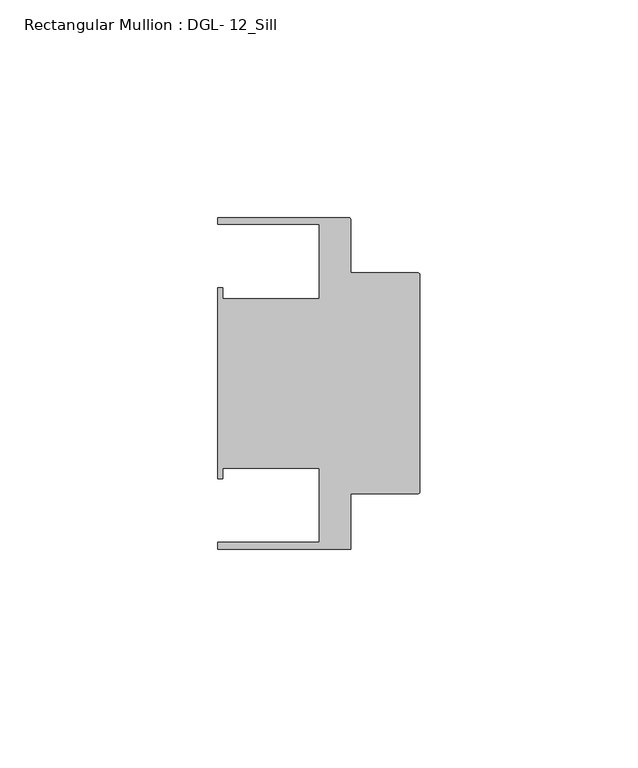
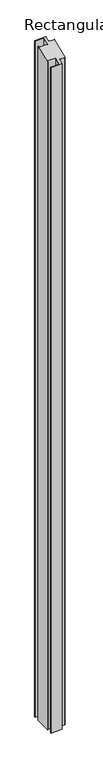
"""IFC4 building model written with IfcOpenShell, lengths in millimetres: member geometry, Rectangular Mullion : DGL- 12_Sill."""

import ifcopenshell
import ifcopenshell.guid

model = None  # the IFC model being written
_history = None  # IfcOwnerHistory: only IFC2X3 demands one
_inside = {}  # id of a spatial element -> (the spatial element, [elements in it])
_under = {}  # id of a project, library or spatial element -> (it, [spatial elements below it])
_declared = {}  # id of a project -> (the project, [libraries it declares])
_typed = {}  # id of a type object -> (the type object, [elements of that type])
_made_of = {}  # id of a material, layer set ... -> (it, [elements and type objects made of it])


def new_model(schema):
    """Start an empty IFC model of exactly this schema.

    Asked for "IFC4X3", IfcOpenShell would pick the latest addendum, in which some entities
    have other attributes; the version numbers below select the first issue.
    IFC2X3 requires an IfcOwnerHistory on every rooted entity: one is made here for all.
    """
    global model, _history
    if schema == "IFC4X3":
        model = ifcopenshell.file(schema_version=(4, 3, 0, 0))
    else:
        model = ifcopenshell.file(schema=schema)
    _inside.clear()
    _under.clear()
    _declared.clear()
    _typed.clear()
    _made_of.clear()
    _history = None
    if model.schema == "IFC2X3":
        org = make("IfcOrganization", Name="unknown")
        user = make(
            "IfcPersonAndOrganization",
            ThePerson=make("IfcPerson", FamilyName="unknown"),
            TheOrganization=org,
        )
        app = make(
            "IfcApplication",
            ApplicationDeveloper=org,
            Version="unknown",
            ApplicationFullName="unknown",
            ApplicationIdentifier="unknown",
        )
        _history = make(
            "IfcOwnerHistory",
            OwningUser=user,
            OwningApplication=app,
            ChangeAction="ADDED",
            CreationDate=0,
        )
    return model


def make(cls, **values):
    """One entity of the class cls with the attributes given. An attribute that is None is left unset."""
    return model.create_entity(
        cls, **{name: value for name, value in values.items() if value is not None}
    )


def rooted(cls, **values):
    """An entity with a GlobalId (a new one), such as an element, a storey or a relation."""
    return make(cls, GlobalId=ifcopenshell.guid.new(), OwnerHistory=_history, **values)


def si_unit(unit_type, name, prefix=None):
    """IfcSIUnit, for example si_unit("LENGTHUNIT", "METRE", prefix="MILLI")."""
    return make("IfcSIUnit", UnitType=unit_type, Prefix=prefix, Name=name)


def assignment(units):
    """IfcUnitAssignment: the units of a project."""
    return None if units is None else make("IfcUnitAssignment", Units=units)


def point(xyz):
    """IfcCartesianPoint."""
    return None if xyz is None else make("IfcCartesianPoint", Coordinates=xyz)


def direction(xyz):
    """IfcDirection."""
    return None if xyz is None else make("IfcDirection", DirectionRatios=xyz)


def frame(location, z_axis=None, x_axis=None):
    """IfcAxis2Placement3D, a coordinate frame: its origin and axes. An axis left out is left unset."""
    return make(
        "IfcAxis2Placement3D",
        Location=point(location),
        Axis=direction(z_axis),
        RefDirection=direction(x_axis),
    )


def origin():
    """The frame at (0, 0, 0) with its axes left unset."""
    return frame((0.0, 0.0, 0.0))


def place(relative_to, where):
    """IfcLocalPlacement: puts the frame where relative to a parent placement (None: the world)."""
    return make(
        "IfcLocalPlacement", PlacementRelTo=relative_to, RelativePlacement=where
    )


def context(
    kind, dimensions, precision=None, world=None, true_north=None, identifier=None
):
    """IfcGeometricRepresentationContext, for example the 3D "Model" context."""
    return make(
        "IfcGeometricRepresentationContext",
        ContextIdentifier=identifier,
        ContextType=kind,
        CoordinateSpaceDimension=dimensions,
        Precision=precision,
        WorldCoordinateSystem=world,
        TrueNorth=true_north,
    )


def project(units=None, contexts=None):
    """IfcProject with its units and contexts."""
    return rooted(
        "IfcProject",
        Name="project",
        RepresentationContexts=contexts,
        UnitsInContext=assignment(units),
    )


def spatial(cls, under=None, at=None, **own):
    """A site, building, storey or space (cls), placed at a placement, below another one or the project."""
    s = rooted(cls, ObjectPlacement=at, **own)
    if under is not None:
        _under.setdefault(under.id(), (under, []))[1].append(s)
    return s


def circle_curve(where, radius):
    """IfcCircle in the frame where."""
    return make("IfcCircle", Position=where, Radius=radius)


def ellipse_curve(where, semi_axis1, semi_axis2):
    """IfcEllipse in the frame where."""
    return make(
        "IfcEllipse", Position=where, SemiAxis1=semi_axis1, SemiAxis2=semi_axis2
    )


def shape(context_of_items, identifier, shape_type, items):
    """IfcShapeRepresentation: the items that make up one representation, for example the "Body"."""
    return make(
        "IfcShapeRepresentation",
        ContextOfItems=context_of_items,
        RepresentationIdentifier=identifier,
        RepresentationType=shape_type,
        Items=items,
    )


def source(mapping_origin, context_of_items, identifier, shape_type, items):
    """IfcRepresentationMap: a shape defined once, which mapped items show again and again."""
    return make(
        "IfcRepresentationMap",
        MappingOrigin=mapping_origin,
        MappedRepresentation=shape(context_of_items, identifier, shape_type, items),
    )


def transform(
    local_origin,
    x_axis=None,
    y_axis=None,
    z_axis=None,
    scale=None,
    scale2=None,
    scale3=None,
    uniform=True,
):
    """IfcCartesianTransformationOperator3D, or its non-uniform kind. x_axis, y_axis, z_axis: its Axis1, 2, 3."""
    if uniform:
        return make(
            "IfcCartesianTransformationOperator3D",
            Axis1=direction(x_axis),
            Axis2=direction(y_axis),
            LocalOrigin=point(local_origin),
            Scale=scale,
            Axis3=direction(z_axis),
        )
    return make(
        "IfcCartesianTransformationOperator3DnonUniform",
        Axis1=direction(x_axis),
        Axis2=direction(y_axis),
        LocalOrigin=point(local_origin),
        Scale=scale,
        Axis3=direction(z_axis),
        Scale2=scale2,
        Scale3=scale3,
    )


def mapped(mapping_source, mapping_target):
    """IfcMappedItem: shows the shape of a source again, moved by a transform."""
    return make(
        "IfcMappedItem", MappingSource=mapping_source, MappingTarget=mapping_target
    )


def made_of(thing, what):
    """Note that an element or type object is made of a material, layer set ...; save() writes the relation."""
    if what is not None:
        _made_of.setdefault(what.id(), (what, []))[1].append(thing)
    return thing


def element(
    cls,
    number,
    at=None,
    inside=None,
    cuts=None,
    type_object=None,
    material=None,
    context=None,
    identifier="Body",
    shape_type=None,
    held_by="IfcProductDefinitionShape",
    body=None,
    shapes=None,
    **own,
):
    """One element of the class cls, such as IfcWall. Its Tag is "e" and its number.

    at: its placement. inside: the storey or other place that contains it. cuts: it is an
    opening in that element (IfcRelVoidsElement). A single representation is given by context,
    identifier, shape_type and body (its items); several are given by shapes. held_by: the class
    of the entity that holds the representations. save() writes the other relations.
    """
    e = rooted(cls, Tag="e%d" % number, ObjectPlacement=at, **own)
    if body is not None:
        shapes = [shape(context, identifier, shape_type, body)]
    if shapes is not None:
        e.Representation = make(held_by, Representations=shapes)
    if inside is not None:
        _inside.setdefault(inside.id(), (inside, []))[1].append(e)
    if cuts is not None:
        rooted(
            "IfcRelVoidsElement", RelatingBuildingElement=cuts, RelatedOpeningElement=e
        )
    if type_object is not None:
        _typed.setdefault(type_object.id(), (type_object, []))[1].append(e)
    return made_of(e, material)


def aggregate(whole, parts):
    """IfcRelAggregates: a whole, such as a stair, and the parts it consists of."""
    return rooted("IfcRelAggregates", RelatingObject=whole, RelatedObjects=parts)


def save(model, path):
    """Write the relations noted so far, then the file.

    IfcRelAggregates (storeys below a building ...), IfcRelContainedInSpatialStructure (elements
    in a storey), IfcRelDefinesByType, IfcRelAssociatesMaterial and IfcRelDeclares: one each for
    every whole, place, type object, material and project.
    """
    for whole, parts in _under.values():
        aggregate(whole, parts)
    for where, things in _inside.values():
        rooted(
            "IfcRelContainedInSpatialStructure",
            RelatedElements=things,
            RelatingStructure=where,
        )
    for kind, things in _typed.values():
        rooted("IfcRelDefinesByType", RelatedObjects=things, RelatingType=kind)
    for what, things in _made_of.values():
        rooted("IfcRelAssociatesMaterial", RelatedObjects=things, RelatingMaterial=what)
    for by, libraries in _declared.values():
        rooted("IfcRelDeclares", RelatingContext=by, RelatedDefinitions=libraries)
    model.write(path)


def plane_surface(at):
    """IfcPlane: the flat surface through the origin of the frame at, square to its z axis."""
    return make("IfcPlane", Position=at)


def cylinder_surface(at, radius):
    """IfcCylindricalSurface: all points at the distance radius from the z axis of the frame at."""
    return make("IfcCylindricalSurface", Position=at, Radius=radius)


def advanced_brep(points, edges, surfaces, faces):
    """IfcAdvancedBrep: a solid bounded by faces that lie on surfaces and meet in shared edges.

    An edge is (start, end): straight between two places in points (the first is 0);
    or (start, end, curve); or (start, end, curve, False) where it runs against its curve.
    A face is (place in surfaces, loops), or (place, loops, False) where it looks against
    its surface's normal. A loop lists edges by number (the first is 1), with a minus sign
    where the edge is run from its end to its start. The first loop is the outer one.
    """
    corners = [point(p) for p in points]
    vertices = [make("IfcVertexPoint", VertexGeometry=c) for c in corners]
    made = []
    for start, end, *more in edges:
        made.append(
            make(
                "IfcEdgeCurve",
                EdgeStart=vertices[start],
                EdgeEnd=vertices[end],
                EdgeGeometry=more[0] if more else make("IfcPolyline", Points=[corners[start], corners[end]]),
                SameSense=more[1] if len(more) > 1 else True,
            )
        )
    hull = []
    for where, loops, *sense in faces:
        bounds = []
        for j, loop in enumerate(loops):
            ring = [make("IfcOrientedEdge", EdgeElement=made[abs(k) - 1], Orientation=k > 0) for k in loop]
            bounds.append(
                make(
                    "IfcFaceOuterBound" if j == 0 else "IfcFaceBound",
                    Bound=make("IfcEdgeLoop", EdgeList=ring),
                    Orientation=True,
                )
            )
        hull.append(make("IfcAdvancedFace", Bounds=bounds, FaceSurface=surfaces[where], SameSense=sense[0] if sense else True))
    return make("IfcAdvancedBrep", Outer=make("IfcClosedShell", CfsFaces=hull))


def rectangular_mullion_dgl_12_sill_86d5c023(model_context):
    return source(origin(), model_context, "Body", "AdvancedBrep", [
        advanced_brep(
        [(-0.5953125, -25.4, -1924.3356817), (-15.8750672, -25.4, -1924.3356817), (-15.8750672, -38.0996792, -1924.3356817), (-46.54296, -38.0996792, -1924.3356817), (-46.54296, -36.512516, -1924.3356817), (-23.1202791, -36.512516, -1924.3356817), (-23.1202791, -19.4824275, -1924.3356817), (-45.2865266, -19.4824275, -1924.3356817), (-45.2865266, -21.9710976, -1924.3356817), (-46.54296, -21.9710976, -1924.3356817), (-46.54296, 21.9710976, -1924.3356817), (-45.2865266, 21.9710976, -1924.3356817), (-45.2865266, 19.4824275, -1924.3356817), (-23.1202791, 19.4824275, -1924.3356817), (-23.1202791, 36.512516, -1924.3356817), (-46.54296, 36.512516, -1924.3356817), (-46.54296, 38.100016, -1924.3356817), (-16.4703797, 38.100016, -1924.3356817), (-15.8750672, 37.5047035, -1924.3356817), (-15.8750672, 25.4, -1924.3356817), (-0.5953125, 25.4, -1924.3356817), (0.0, 24.8046875, -1924.3356817), (0.0, -24.8046875, -1924.3356817), (0.0, -24.8046875, -10.274438), (-0.5953125, -25.4, -10.5210245), (0.0, 24.8046875, 10.274438), (-0.5953125, 25.4, 10.5210245), (-15.8750672, 25.4, 10.5210245), (-15.8750672, 37.5047035, 15.5349568), (-16.4703797, 38.100016, 15.7815434), (-46.54296, 38.100016, 15.7815434), (-46.54296, 36.512516, 15.1239793), (-23.1202791, 36.512516, 15.1239793), (-23.1202791, 19.4824275, 8.0698857), (-45.2865266, 19.4824275, 8.0698857), (-45.2865266, 21.9710976, 9.1007266), (-46.54296, 21.9710976, 9.1007266), (-46.54296, -21.9710976, -9.1007266), (-45.2865266, -21.9710976, -9.1007266), (-45.2865266, -19.4824275, -8.0698857), (-23.1202791, -19.4824275, -8.0698857), (-23.1202791, -36.512516, -15.1239793), (-46.54296, -36.512516, -15.1239793), (-46.54296, -38.0996792, -15.7814038), (-15.8750672, -38.0996792, -15.7814038), (-15.8750672, -25.4, -10.5210245)],
        [
            (0, 1),
            (1, 2),
            (2, 3),
            (3, 4),
            (4, 5),
            (5, 6),
            (6, 7),
            (7, 8),
            (8, 9),
            (9, 10),
            (10, 11),
            (11, 12),
            (12, 13),
            (13, 14),
            (14, 15),
            (15, 16),
            (16, 17),
            (17, 18, circle_curve(frame((-16.4703797, 37.5047035, -1924.3356817), z_axis=(0.0, 0.0, -1.0), x_axis=(-1.0, 0.0, 0.0)), 0.5953125)),
            (18, 19),
            (19, 20),
            (20, 21, circle_curve(frame((-0.5953125, 24.8046875, -1924.3356817), z_axis=(0.0, 0.0, -1.0), x_axis=(-1.0, 0.0, 0.0)), 0.5953125)),
            (21, 22),
            (22, 0, circle_curve(frame((-0.5953125, -24.8046875, -1924.3356817), z_axis=(0.0, 0.0, -1.0), x_axis=(-1.0, 0.0, 0.0)), 0.5953125)),
            (23, 24, ellipse_curve(frame((-0.5953125, -24.8046875, -10.274438), z_axis=(0.0, 0.3826834323650908, -0.9238795325112864), x_axis=(0.0, 0.9238795325112864, 0.3826834323650905)), 0.6443616, 0.5953125)),
            (24, 0),
            (22, 23),
            (25, 23),
            (21, 25),
            (26, 25, ellipse_curve(frame((-0.5953125, 24.8046875, 10.274438), z_axis=(0.0, 0.3826834323650908, -0.9238795325112864), x_axis=(0.0, 0.9238795325112864, 0.3826834323650905)), 0.6443616, 0.5953125)),
            (20, 26),
            (27, 26),
            (19, 27),
            (28, 27),
            (18, 28),
            (29, 28, ellipse_curve(frame((-16.4703797, 37.5047035, 15.5349568), z_axis=(0.0, 0.3826834323650908, -0.9238795325112864), x_axis=(0.0, 0.9238795325112864, 0.3826834323650905)), 0.6443616, 0.5953125)),
            (17, 29),
            (30, 29),
            (16, 30),
            (31, 30),
            (15, 31),
            (32, 31),
            (14, 32),
            (33, 32),
            (13, 33),
            (34, 33),
            (12, 34),
            (35, 34),
            (11, 35),
            (36, 35),
            (10, 36),
            (37, 36),
            (9, 37),
            (38, 37),
            (8, 38),
            (39, 38),
            (7, 39),
            (40, 39),
            (6, 40),
            (41, 40),
            (5, 41),
            (42, 41),
            (4, 42),
            (43, 42),
            (3, 43),
            (44, 43),
            (2, 44),
            (45, 44),
            (1, 45),
            (24, 45),
        ],
        [
            plane_surface(frame((0.0, -60.1486354, -1924.3356817), z_axis=(0.0, 0.0, -1.0), x_axis=(-1.0, 0.0, 0.0))),
            cylinder_surface(frame((-0.5953125, -24.8046875, 0.0), z_axis=(0.0, 0.0, 1.0), x_axis=(-1.0, 0.0, 0.0)), 0.5953125),
            plane_surface(frame((0.0, -24.8046875, 0.0), z_axis=(1.0, 0.0, 0.0), x_axis=(0.0, 0.0, -1.0))),
            cylinder_surface(frame((-0.5953125, 24.8046875, 0.0), z_axis=(0.0, 0.0, 1.0), x_axis=(-1.0, 0.0, 0.0)), 0.5953125),
            plane_surface(frame((-0.5953125, 25.4, 0.0), z_axis=(0.0, 1.0, 0.0), x_axis=(0.0, 0.0, -1.0))),
            plane_surface(frame((-15.8750672, 25.4, 0.0), z_axis=(1.0, 0.0, 0.0), x_axis=(0.0, 0.0, -1.0))),
            cylinder_surface(frame((-16.4703797, 37.5047035, 0.0), z_axis=(0.0, 0.0, 1.0), x_axis=(-1.0, 0.0, 0.0)), 0.5953125),
            plane_surface(frame((-16.4703797, 38.100016, 0.0), z_axis=(0.0, 1.0, 0.0), x_axis=(0.0, 0.0, -1.0))),
            plane_surface(frame((-46.54296, 38.100016, 0.0), z_axis=(-1.0, 0.0, 0.0), x_axis=(0.0, 0.0, -1.0))),
            plane_surface(frame((-46.54296, 36.512516, 0.0), z_axis=(0.0, -1.0, 0.0), x_axis=(0.0, 0.0, -1.0))),
            plane_surface(frame((-23.1202791, 36.512516, 0.0), z_axis=(-1.0, 0.0, 0.0), x_axis=(0.0, 0.0, -1.0))),
            plane_surface(frame((-23.1202791, 19.4824275, 0.0), z_axis=(0.0, 1.0, 0.0), x_axis=(0.0, 0.0, -1.0))),
            plane_surface(frame((-45.2865266, 19.4824275, 0.0), z_axis=(1.0, 0.0, 0.0), x_axis=(0.0, 0.0, -1.0))),
            plane_surface(frame((-45.2865266, 21.9710976, 0.0), z_axis=(0.0, 1.0, 0.0), x_axis=(0.0, 0.0, -1.0))),
            plane_surface(frame((-46.54296, 21.9710976, 0.0), z_axis=(-1.0, 0.0, 0.0), x_axis=(0.0, 0.0, -1.0))),
            plane_surface(frame((-46.54296, -21.9710976, 0.0), z_axis=(0.0, -1.0, 0.0), x_axis=(0.0, 0.0, -1.0))),
            plane_surface(frame((-45.2865266, -21.9710976, 0.0), z_axis=(1.0, 0.0, 0.0), x_axis=(0.0, 0.0, -1.0))),
            plane_surface(frame((-45.2865266, -19.4824275, 0.0), z_axis=(0.0, -1.0, 0.0), x_axis=(0.0, 0.0, -1.0))),
            plane_surface(frame((-23.1202791, -19.4824275, 0.0), z_axis=(-1.0, 0.0, 0.0), x_axis=(0.0, 0.0, -1.0))),
            plane_surface(frame((-23.1202791, -36.512516, 0.0), z_axis=(0.0, 1.0, 0.0), x_axis=(0.0, 0.0, -1.0))),
            plane_surface(frame((-46.54296, -36.512516, 0.0), z_axis=(-1.0, 0.0, 0.0), x_axis=(0.0, 0.0, -1.0))),
            plane_surface(frame((-46.54296, -38.0996792, 0.0), z_axis=(0.0, -1.0, 0.0), x_axis=(0.0, 0.0, -1.0))),
            plane_surface(frame((-15.8750672, -38.0996792, 0.0), z_axis=(1.0, 0.0, 0.0), x_axis=(0.0, 0.0, -1.0))),
            plane_surface(frame((-15.8750672, -25.4, 0.0), z_axis=(0.0, -1.0, 0.0), x_axis=(0.0, 0.0, -1.0))),
            plane_surface(frame((304.8, 0.0, 0.0), z_axis=(0.0, -0.3826834323650908, 0.9238795325112864), x_axis=(0.0, -0.9238795325112864, -0.3826834323650908))),
        ],
        [
            (0, [[1, 2, 3, 4, 5, 6, 7, 8, 9, 10, 11, 12, 13, 14, 15, 16, 17, 18, 19, 20, 21, 22, 23]]),
            (1, [[24, 25, -23, 26]]),
            (2, [[27, -26, -22, 28]]),
            (3, [[29, -28, -21, 30]]),
            (4, [[31, -30, -20, 32]]),
            (5, [[33, -32, -19, 34]]),
            (6, [[35, -34, -18, 36]]),
            (7, [[37, -36, -17, 38]]),
            (8, [[39, -38, -16, 40]]),
            (9, [[41, -40, -15, 42]]),
            (10, [[43, -42, -14, 44]]),
            (11, [[45, -44, -13, 46]]),
            (12, [[47, -46, -12, 48]]),
            (13, [[49, -48, -11, 50]]),
            (14, [[51, -50, -10, 52]]),
            (15, [[53, -52, -9, 54]]),
            (16, [[55, -54, -8, 56]]),
            (17, [[57, -56, -7, 58]]),
            (18, [[59, -58, -6, 60]]),
            (19, [[61, -60, -5, 62]]),
            (20, [[63, -62, -4, 64]]),
            (21, [[65, -64, -3, 66]]),
            (22, [[67, -66, -2, 68]]),
            (23, [[69, -68, -1, -25]]),
            (24, [[-24, -27, -29, -31, -33, -35, -37, -39, -41, -43, -45, -47, -49, -51, -53, -55, -57, -59, -61, -63, -65, -67, -69]]),
        ],
    ),
    ])


if __name__ == "__main__":
    model = new_model("IFC4")
    model_context = context("Model", 3, world=origin())
    ifc_project = project(units=[si_unit("LENGTHUNIT", "METRE", prefix="MILLI")], contexts=[model_context])
    site = spatial("IfcSite", under=ifc_project)
    building = spatial("IfcBuilding", under=site)
    placement = place(None, origin())
    rectangular_mullion_dgl_12_sill_shape = rectangular_mullion_dgl_12_sill_86d5c023(model_context)
    element("IfcMember", 1, ObjectType="Rectangular Mullion : DGL- 12_Sill", at=placement, inside=building, context=model_context, shape_type="MappedRepresentation", body=[
        mapped(rectangular_mullion_dgl_12_sill_shape, transform((0.0, 0.0, 0.0), x_axis=(1.0, 0.0, 0.0), y_axis=(0.0, 1.0, 0.0), z_axis=(0.0, 0.0, 1.0))),
    ])
    save(model, "model.ifc")
